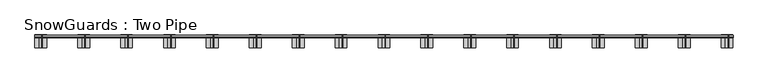
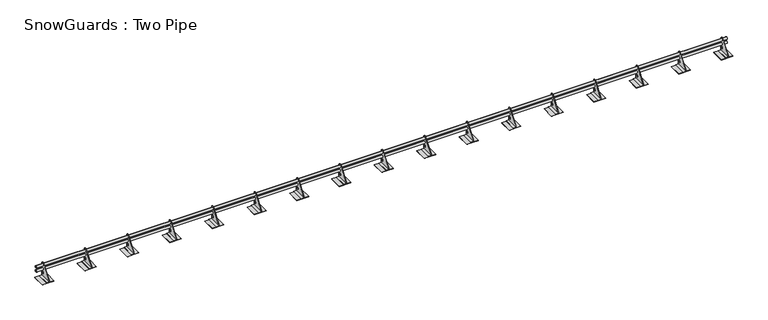
"""IFC4 building model written with IfcOpenShell, lengths in millimetres: proxy geometry, SnowGuards : Two Pipe."""

from ifc_helpers import new_model, si_unit, point, frame, frame_2d, origin, origin_with_axes, place, context, project, spatial, polyline, circle_curve, trimmed, segment, composite_curve, outline, extrude, source, transform, mapped, element, save


def snowguards_two_pipe_e586f420(model_context):
    return source(origin(), model_context, "Body", "SweptSolid", [
        extrude(outline(polyline([(8197.85, -132.5456311), (8058.15, -132.5456311), (8058.15, 19.8543689), (8197.85, 19.8543689), (8197.85, -132.5456311)])), origin_with_axes(), (0.0, 0.0, 1.0), 3.175),
        extrude(outline(polyline([(7689.85, -132.5456311), (7550.15, -132.5456311), (7550.15, 19.8543689), (7689.85, 19.8543689), (7689.85, -132.5456311)])), origin_with_axes(), (0.0, 0.0, 1.0), 3.175),
        extrude(outline(polyline([(7181.85, -132.5456311), (7042.15, -132.5456311), (7042.15, 19.8543689), (7181.85, 19.8543689), (7181.85, -132.5456311)])), origin_with_axes(), (0.0, 0.0, 1.0), 3.175),
        extrude(outline(polyline([(6673.85, -132.5456311), (6534.15, -132.5456311), (6534.15, 19.8543689), (6673.85, 19.8543689), (6673.85, -132.5456311)])), origin_with_axes(), (0.0, 0.0, 1.0), 3.175),
        extrude(outline(polyline([(6165.85, -132.5456311), (6026.15, -132.5456311), (6026.15, 19.8543689), (6165.85, 19.8543689), (6165.85, -132.5456311)])), origin_with_axes(), (0.0, 0.0, 1.0), 3.175),
        extrude(outline(polyline([(5657.85, -132.5456311), (5518.15, -132.5456311), (5518.15, 19.8543689), (5657.85, 19.8543689), (5657.85, -132.5456311)])), origin_with_axes(), (0.0, 0.0, 1.0), 3.175),
        extrude(outline(polyline([(5149.85, -132.5456311), (5010.15, -132.5456311), (5010.15, 19.8543689), (5149.85, 19.8543689), (5149.85, -132.5456311)])), origin_with_axes(), (0.0, 0.0, 1.0), 3.175),
        extrude(outline(polyline([(4641.85, -132.5456311), (4502.15, -132.5456311), (4502.15, 19.8543689), (4641.85, 19.8543689), (4641.85, -132.5456311)])), origin_with_axes(), (0.0, 0.0, 1.0), 3.175),
        extrude(outline(polyline([(4133.85, -132.5456311), (3994.15, -132.5456311), (3994.15, 19.8543689), (4133.85, 19.8543689), (4133.85, -132.5456311)])), origin_with_axes(), (0.0, 0.0, 1.0), 3.175),
        extrude(outline(polyline([(3625.85, -132.5456311), (3486.15, -132.5456311), (3486.15, 19.8543689), (3625.85, 19.8543689), (3625.85, -132.5456311)])), origin_with_axes(), (0.0, 0.0, 1.0), 3.175),
        extrude(outline(polyline([(3117.85, -132.5456311), (2978.15, -132.5456311), (2978.15, 19.8543689), (3117.85, 19.8543689), (3117.85, -132.5456311)])), origin_with_axes(), (0.0, 0.0, 1.0), 3.175),
        extrude(outline(polyline([(8109.74375, 19.8543689), (8146.25625, 19.8543689), (8146.25625, -132.5456311), (8109.74375, -132.5456311), (8109.74375, 19.8543689)])), frame((0.0, 0.0, 3.175), z_axis=(0.0, 0.0, 1.0), x_axis=(1.0, 0.0, 0.0)), (0.0, 0.0, 1.0), 4.7625),
        extrude(outline(composite_curve([segment(polyline([(19.8543689, 7.9375), (-132.5456311, 7.9375), (-132.5456311, 10.7607197), (-14.9927603, 168.4318909)]), True, "CONTINUOUS"), segment(trimmed(circle_curve(frame_2d((0.5131886, 156.8713197)), 19.3411803), [point((-14.9927603, 168.4318909))], [point((19.8543689, 156.8713197))], False, "CARTESIAN"), True, "CONTINUOUS"), segment(polyline([(19.8543689, 156.8713197), (19.8543689, 7.9375)]), True, "CONTINUOUS")], self_intersect=False), holes=[composite_curve([segment(trimmed(circle_curve(frame_2d((-0.2607676, 148.4337699)), 13.49375), [point((-0.2607676, 134.9400199))], [point((-0.2607676, 161.9275199))], True, "CARTESIAN"), True, "CONTINUOUS"), segment(trimmed(circle_curve(frame_2d((-0.2607676, 148.4337699)), 13.49375), [point((-0.2607676, 161.9275199))], [point((-0.2607676, 134.9400199))], True, "CARTESIAN"), True, "CONTINUOUS")], self_intersect=False), composite_curve([segment(trimmed(circle_curve(frame_2d((0.0, 46.9699953)), 13.49375), [point((0.0, 33.4762453))], [point((0.0, 60.4637453))], True, "CARTESIAN"), True, "CONTINUOUS"), segment(trimmed(circle_curve(frame_2d((0.0, 46.9699953)), 13.49375), [point((0.0, 60.4637453))], [point((0.0, 33.4762453))], True, "CARTESIAN"), True, "CONTINUOUS")], self_intersect=False)]), frame((8141.49375, 0.0, 0.0), z_axis=(1.0, 0.0, 0.0), x_axis=(0.0, 1.0, 0.0)), (0.0, 0.0, 1.0), 4.7625),
        extrude(outline(polyline([(7601.74375, 19.8543689), (7638.25625, 19.8543689), (7638.25625, -132.5456311), (7601.74375, -132.5456311), (7601.74375, 19.8543689)])), frame((0.0, 0.0, 3.175), z_axis=(0.0, 0.0, 1.0), x_axis=(1.0, 0.0, 0.0)), (0.0, 0.0, 1.0), 4.7625),
        extrude(outline(composite_curve([segment(polyline([(19.8543689, 7.9375), (-132.5456311, 7.9375), (-132.5456311, 10.7607197), (-14.9927603, 168.4318909)]), True, "CONTINUOUS"), segment(trimmed(circle_curve(frame_2d((0.5131886, 156.8713197)), 19.3411803), [point((-14.9927603, 168.4318909))], [point((19.8543689, 156.8713197))], False, "CARTESIAN"), True, "CONTINUOUS"), segment(polyline([(19.8543689, 156.8713197), (19.8543689, 7.9375)]), True, "CONTINUOUS")], self_intersect=False), holes=[composite_curve([segment(trimmed(circle_curve(frame_2d((-0.2607676, 148.4337699)), 13.49375), [point((-0.2607676, 134.9400199))], [point((-0.2607676, 161.9275199))], True, "CARTESIAN"), True, "CONTINUOUS"), segment(trimmed(circle_curve(frame_2d((-0.2607676, 148.4337699)), 13.49375), [point((-0.2607676, 161.9275199))], [point((-0.2607676, 134.9400199))], True, "CARTESIAN"), True, "CONTINUOUS")], self_intersect=False), composite_curve([segment(trimmed(circle_curve(frame_2d((0.0, 46.9699953)), 13.49375), [point((0.0, 33.4762453))], [point((0.0, 60.4637453))], True, "CARTESIAN"), True, "CONTINUOUS"), segment(trimmed(circle_curve(frame_2d((0.0, 46.9699953)), 13.49375), [point((0.0, 60.4637453))], [point((0.0, 33.4762453))], True, "CARTESIAN"), True, "CONTINUOUS")], self_intersect=False)]), frame((7633.49375, 0.0, 0.0), z_axis=(1.0, 0.0, 0.0), x_axis=(0.0, 1.0, 0.0)), (0.0, 0.0, 1.0), 4.7625),
        extrude(outline(polyline([(7093.74375, 19.8543689), (7130.25625, 19.8543689), (7130.25625, -132.5456311), (7093.74375, -132.5456311), (7093.74375, 19.8543689)])), frame((0.0, 0.0, 3.175), z_axis=(0.0, 0.0, 1.0), x_axis=(1.0, 0.0, 0.0)), (0.0, 0.0, 1.0), 4.7625),
        extrude(outline(composite_curve([segment(polyline([(19.8543689, 7.9375), (-132.5456311, 7.9375), (-132.5456311, 10.7607197), (-14.9927603, 168.4318909)]), True, "CONTINUOUS"), segment(trimmed(circle_curve(frame_2d((0.5131886, 156.8713197)), 19.3411803), [point((-14.9927603, 168.4318909))], [point((19.8543689, 156.8713197))], False, "CARTESIAN"), True, "CONTINUOUS"), segment(polyline([(19.8543689, 156.8713197), (19.8543689, 7.9375)]), True, "CONTINUOUS")], self_intersect=False), holes=[composite_curve([segment(trimmed(circle_curve(frame_2d((-0.2607676, 148.4337699)), 13.49375), [point((-0.2607676, 134.9400199))], [point((-0.2607676, 161.9275199))], True, "CARTESIAN"), True, "CONTINUOUS"), segment(trimmed(circle_curve(frame_2d((-0.2607676, 148.4337699)), 13.49375), [point((-0.2607676, 161.9275199))], [point((-0.2607676, 134.9400199))], True, "CARTESIAN"), True, "CONTINUOUS")], self_intersect=False), composite_curve([segment(trimmed(circle_curve(frame_2d((0.0, 46.9699953)), 13.49375), [point((0.0, 33.4762453))], [point((0.0, 60.4637453))], True, "CARTESIAN"), True, "CONTINUOUS"), segment(trimmed(circle_curve(frame_2d((0.0, 46.9699953)), 13.49375), [point((0.0, 60.4637453))], [point((0.0, 33.4762453))], True, "CARTESIAN"), True, "CONTINUOUS")], self_intersect=False)]), frame((7125.49375, 0.0, 0.0), z_axis=(1.0, 0.0, 0.0), x_axis=(0.0, 1.0, 0.0)), (0.0, 0.0, 1.0), 4.7625),
        extrude(outline(polyline([(6585.74375, 19.8543689), (6622.25625, 19.8543689), (6622.25625, -132.5456311), (6585.74375, -132.5456311), (6585.74375, 19.8543689)])), frame((0.0, 0.0, 3.175), z_axis=(0.0, 0.0, 1.0), x_axis=(1.0, 0.0, 0.0)), (0.0, 0.0, 1.0), 4.7625),
        extrude(outline(composite_curve([segment(polyline([(19.8543689, 7.9375), (-132.5456311, 7.9375), (-132.5456311, 10.7607197), (-14.9927603, 168.4318909)]), True, "CONTINUOUS"), segment(trimmed(circle_curve(frame_2d((0.5131886, 156.8713197)), 19.3411803), [point((-14.9927603, 168.4318909))], [point((19.8543689, 156.8713197))], False, "CARTESIAN"), True, "CONTINUOUS"), segment(polyline([(19.8543689, 156.8713197), (19.8543689, 7.9375)]), True, "CONTINUOUS")], self_intersect=False), holes=[composite_curve([segment(trimmed(circle_curve(frame_2d((-0.2607676, 148.4337699)), 13.49375), [point((-0.2607676, 134.9400199))], [point((-0.2607676, 161.9275199))], True, "CARTESIAN"), True, "CONTINUOUS"), segment(trimmed(circle_curve(frame_2d((-0.2607676, 148.4337699)), 13.49375), [point((-0.2607676, 161.9275199))], [point((-0.2607676, 134.9400199))], True, "CARTESIAN"), True, "CONTINUOUS")], self_intersect=False), composite_curve([segment(trimmed(circle_curve(frame_2d((0.0, 46.9699953)), 13.49375), [point((0.0, 33.4762453))], [point((0.0, 60.4637453))], True, "CARTESIAN"), True, "CONTINUOUS"), segment(trimmed(circle_curve(frame_2d((0.0, 46.9699953)), 13.49375), [point((0.0, 60.4637453))], [point((0.0, 33.4762453))], True, "CARTESIAN"), True, "CONTINUOUS")], self_intersect=False)]), frame((6617.49375, 0.0, 0.0), z_axis=(1.0, 0.0, 0.0), x_axis=(0.0, 1.0, 0.0)), (0.0, 0.0, 1.0), 4.7625),
        extrude(outline(polyline([(6077.74375, 19.8543689), (6114.25625, 19.8543689), (6114.25625, -132.5456311), (6077.74375, -132.5456311), (6077.74375, 19.8543689)])), frame((0.0, 0.0, 3.175), z_axis=(0.0, 0.0, 1.0), x_axis=(1.0, 0.0, 0.0)), (0.0, 0.0, 1.0), 4.7625),
        extrude(outline(composite_curve([segment(polyline([(19.8543689, 7.9375), (-132.5456311, 7.9375), (-132.5456311, 10.7607197), (-14.9927603, 168.4318909)]), True, "CONTINUOUS"), segment(trimmed(circle_curve(frame_2d((0.5131886, 156.8713197)), 19.3411803), [point((-14.9927603, 168.4318909))], [point((19.8543689, 156.8713197))], False, "CARTESIAN"), True, "CONTINUOUS"), segment(polyline([(19.8543689, 156.8713197), (19.8543689, 7.9375)]), True, "CONTINUOUS")], self_intersect=False), holes=[composite_curve([segment(trimmed(circle_curve(frame_2d((-0.2607676, 148.4337699)), 13.49375), [point((-0.2607676, 134.9400199))], [point((-0.2607676, 161.9275199))], True, "CARTESIAN"), True, "CONTINUOUS"), segment(trimmed(circle_curve(frame_2d((-0.2607676, 148.4337699)), 13.49375), [point((-0.2607676, 161.9275199))], [point((-0.2607676, 134.9400199))], True, "CARTESIAN"), True, "CONTINUOUS")], self_intersect=False), composite_curve([segment(trimmed(circle_curve(frame_2d((0.0, 46.9699953)), 13.49375), [point((0.0, 33.4762453))], [point((0.0, 60.4637453))], True, "CARTESIAN"), True, "CONTINUOUS"), segment(trimmed(circle_curve(frame_2d((0.0, 46.9699953)), 13.49375), [point((0.0, 60.4637453))], [point((0.0, 33.4762453))], True, "CARTESIAN"), True, "CONTINUOUS")], self_intersect=False)]), frame((6109.49375, 0.0, 0.0), z_axis=(1.0, 0.0, 0.0), x_axis=(0.0, 1.0, 0.0)), (0.0, 0.0, 1.0), 4.7625),
        extrude(outline(polyline([(5569.74375, 19.8543689), (5606.25625, 19.8543689), (5606.25625, -132.5456311), (5569.74375, -132.5456311), (5569.74375, 19.8543689)])), frame((0.0, 0.0, 3.175), z_axis=(0.0, 0.0, 1.0), x_axis=(1.0, 0.0, 0.0)), (0.0, 0.0, 1.0), 4.7625),
        extrude(outline(composite_curve([segment(polyline([(19.8543689, 7.9375), (-132.5456311, 7.9375), (-132.5456311, 10.7607197), (-14.9927603, 168.4318909)]), True, "CONTINUOUS"), segment(trimmed(circle_curve(frame_2d((0.5131886, 156.8713197)), 19.3411803), [point((-14.9927603, 168.4318909))], [point((19.8543689, 156.8713197))], False, "CARTESIAN"), True, "CONTINUOUS"), segment(polyline([(19.8543689, 156.8713197), (19.8543689, 7.9375)]), True, "CONTINUOUS")], self_intersect=False), holes=[composite_curve([segment(trimmed(circle_curve(frame_2d((-0.2607676, 148.4337699)), 13.49375), [point((-0.2607676, 134.9400199))], [point((-0.2607676, 161.9275199))], True, "CARTESIAN"), True, "CONTINUOUS"), segment(trimmed(circle_curve(frame_2d((-0.2607676, 148.4337699)), 13.49375), [point((-0.2607676, 161.9275199))], [point((-0.2607676, 134.9400199))], True, "CARTESIAN"), True, "CONTINUOUS")], self_intersect=False), composite_curve([segment(trimmed(circle_curve(frame_2d((0.0, 46.9699953)), 13.49375), [point((0.0, 33.4762453))], [point((0.0, 60.4637453))], True, "CARTESIAN"), True, "CONTINUOUS"), segment(trimmed(circle_curve(frame_2d((0.0, 46.9699953)), 13.49375), [point((0.0, 60.4637453))], [point((0.0, 33.4762453))], True, "CARTESIAN"), True, "CONTINUOUS")], self_intersect=False)]), frame((5601.49375, 0.0, 0.0), z_axis=(1.0, 0.0, 0.0), x_axis=(0.0, 1.0, 0.0)), (0.0, 0.0, 1.0), 4.7625),
        extrude(outline(polyline([(5061.74375, 19.8543689), (5098.25625, 19.8543689), (5098.25625, -132.5456311), (5061.74375, -132.5456311), (5061.74375, 19.8543689)])), frame((0.0, 0.0, 3.175), z_axis=(0.0, 0.0, 1.0), x_axis=(1.0, 0.0, 0.0)), (0.0, 0.0, 1.0), 4.7625),
        extrude(outline(composite_curve([segment(polyline([(19.8543689, 7.9375), (-132.5456311, 7.9375), (-132.5456311, 10.7607197), (-14.9927603, 168.4318909)]), True, "CONTINUOUS"), segment(trimmed(circle_curve(frame_2d((0.5131886, 156.8713197)), 19.3411803), [point((-14.9927603, 168.4318909))], [point((19.8543689, 156.8713197))], False, "CARTESIAN"), True, "CONTINUOUS"), segment(polyline([(19.8543689, 156.8713197), (19.8543689, 7.9375)]), True, "CONTINUOUS")], self_intersect=False), holes=[composite_curve([segment(trimmed(circle_curve(frame_2d((-0.2607676, 148.4337699)), 13.49375), [point((-0.2607676, 134.9400199))], [point((-0.2607676, 161.9275199))], True, "CARTESIAN"), True, "CONTINUOUS"), segment(trimmed(circle_curve(frame_2d((-0.2607676, 148.4337699)), 13.49375), [point((-0.2607676, 161.9275199))], [point((-0.2607676, 134.9400199))], True, "CARTESIAN"), True, "CONTINUOUS")], self_intersect=False), composite_curve([segment(trimmed(circle_curve(frame_2d((0.0, 46.9699953)), 13.49375), [point((0.0, 33.4762453))], [point((0.0, 60.4637453))], True, "CARTESIAN"), True, "CONTINUOUS"), segment(trimmed(circle_curve(frame_2d((0.0, 46.9699953)), 13.49375), [point((0.0, 60.4637453))], [point((0.0, 33.4762453))], True, "CARTESIAN"), True, "CONTINUOUS")], self_intersect=False)]), frame((5093.49375, 0.0, 0.0), z_axis=(1.0, 0.0, 0.0), x_axis=(0.0, 1.0, 0.0)), (0.0, 0.0, 1.0), 4.7625),
        extrude(outline(polyline([(4553.74375, 19.8543689), (4590.25625, 19.8543689), (4590.25625, -132.5456311), (4553.74375, -132.5456311), (4553.74375, 19.8543689)])), frame((0.0, 0.0, 3.175), z_axis=(0.0, 0.0, 1.0), x_axis=(1.0, 0.0, 0.0)), (0.0, 0.0, 1.0), 4.7625),
        extrude(outline(composite_curve([segment(polyline([(19.8543689, 7.9375), (-132.5456311, 7.9375), (-132.5456311, 10.7607197), (-14.9927603, 168.4318909)]), True, "CONTINUOUS"), segment(trimmed(circle_curve(frame_2d((0.5131886, 156.8713197)), 19.3411803), [point((-14.9927603, 168.4318909))], [point((19.8543689, 156.8713197))], False, "CARTESIAN"), True, "CONTINUOUS"), segment(polyline([(19.8543689, 156.8713197), (19.8543689, 7.9375)]), True, "CONTINUOUS")], self_intersect=False), holes=[composite_curve([segment(trimmed(circle_curve(frame_2d((-0.2607676, 148.4337699)), 13.49375), [point((-0.2607676, 134.9400199))], [point((-0.2607676, 161.9275199))], True, "CARTESIAN"), True, "CONTINUOUS"), segment(trimmed(circle_curve(frame_2d((-0.2607676, 148.4337699)), 13.49375), [point((-0.2607676, 161.9275199))], [point((-0.2607676, 134.9400199))], True, "CARTESIAN"), True, "CONTINUOUS")], self_intersect=False), composite_curve([segment(trimmed(circle_curve(frame_2d((0.0, 46.9699953)), 13.49375), [point((0.0, 33.4762453))], [point((0.0, 60.4637453))], True, "CARTESIAN"), True, "CONTINUOUS"), segment(trimmed(circle_curve(frame_2d((0.0, 46.9699953)), 13.49375), [point((0.0, 60.4637453))], [point((0.0, 33.4762453))], True, "CARTESIAN"), True, "CONTINUOUS")], self_intersect=False)]), frame((4585.49375, 0.0, 0.0), z_axis=(1.0, 0.0, 0.0), x_axis=(0.0, 1.0, 0.0)), (0.0, 0.0, 1.0), 4.7625),
        extrude(outline(polyline([(4045.74375, 19.8543689), (4082.25625, 19.8543689), (4082.25625, -132.5456311), (4045.74375, -132.5456311), (4045.74375, 19.8543689)])), frame((0.0, 0.0, 3.175), z_axis=(0.0, 0.0, 1.0), x_axis=(1.0, 0.0, 0.0)), (0.0, 0.0, 1.0), 4.7625),
        extrude(outline(composite_curve([segment(polyline([(19.8543689, 7.9375), (-132.5456311, 7.9375), (-132.5456311, 10.7607197), (-14.9927603, 168.4318909)]), True, "CONTINUOUS"), segment(trimmed(circle_curve(frame_2d((0.5131886, 156.8713197)), 19.3411803), [point((-14.9927603, 168.4318909))], [point((19.8543689, 156.8713197))], False, "CARTESIAN"), True, "CONTINUOUS"), segment(polyline([(19.8543689, 156.8713197), (19.8543689, 7.9375)]), True, "CONTINUOUS")], self_intersect=False), holes=[composite_curve([segment(trimmed(circle_curve(frame_2d((-0.2607676, 148.4337699)), 13.49375), [point((-0.2607676, 134.9400199))], [point((-0.2607676, 161.9275199))], True, "CARTESIAN"), True, "CONTINUOUS"), segment(trimmed(circle_curve(frame_2d((-0.2607676, 148.4337699)), 13.49375), [point((-0.2607676, 161.9275199))], [point((-0.2607676, 134.9400199))], True, "CARTESIAN"), True, "CONTINUOUS")], self_intersect=False), composite_curve([segment(trimmed(circle_curve(frame_2d((0.0, 46.9699953)), 13.49375), [point((0.0, 33.4762453))], [point((0.0, 60.4637453))], True, "CARTESIAN"), True, "CONTINUOUS"), segment(trimmed(circle_curve(frame_2d((0.0, 46.9699953)), 13.49375), [point((0.0, 60.4637453))], [point((0.0, 33.4762453))], True, "CARTESIAN"), True, "CONTINUOUS")], self_intersect=False)]), frame((4077.49375, 0.0, 0.0), z_axis=(1.0, 0.0, 0.0), x_axis=(0.0, 1.0, 0.0)), (0.0, 0.0, 1.0), 4.7625),
        extrude(outline(polyline([(3537.74375, 19.8543689), (3574.25625, 19.8543689), (3574.25625, -132.5456311), (3537.74375, -132.5456311), (3537.74375, 19.8543689)])), frame((0.0, 0.0, 3.175), z_axis=(0.0, 0.0, 1.0), x_axis=(1.0, 0.0, 0.0)), (0.0, 0.0, 1.0), 4.7625),
        extrude(outline(composite_curve([segment(polyline([(19.8543689, 7.9375), (-132.5456311, 7.9375), (-132.5456311, 10.7607197), (-14.9927603, 168.4318909)]), True, "CONTINUOUS"), segment(trimmed(circle_curve(frame_2d((0.5131886, 156.8713197)), 19.3411803), [point((-14.9927603, 168.4318909))], [point((19.8543689, 156.8713197))], False, "CARTESIAN"), True, "CONTINUOUS"), segment(polyline([(19.8543689, 156.8713197), (19.8543689, 7.9375)]), True, "CONTINUOUS")], self_intersect=False), holes=[composite_curve([segment(trimmed(circle_curve(frame_2d((-0.2607676, 148.4337699)), 13.49375), [point((-0.2607676, 134.9400199))], [point((-0.2607676, 161.9275199))], True, "CARTESIAN"), True, "CONTINUOUS"), segment(trimmed(circle_curve(frame_2d((-0.2607676, 148.4337699)), 13.49375), [point((-0.2607676, 161.9275199))], [point((-0.2607676, 134.9400199))], True, "CARTESIAN"), True, "CONTINUOUS")], self_intersect=False), composite_curve([segment(trimmed(circle_curve(frame_2d((0.0, 46.9699953)), 13.49375), [point((0.0, 33.4762453))], [point((0.0, 60.4637453))], True, "CARTESIAN"), True, "CONTINUOUS"), segment(trimmed(circle_curve(frame_2d((0.0, 46.9699953)), 13.49375), [point((0.0, 60.4637453))], [point((0.0, 33.4762453))], True, "CARTESIAN"), True, "CONTINUOUS")], self_intersect=False)]), frame((3569.49375, 0.0, 0.0), z_axis=(1.0, 0.0, 0.0), x_axis=(0.0, 1.0, 0.0)), (0.0, 0.0, 1.0), 4.7625),
        extrude(outline(polyline([(3029.74375, 19.8543689), (3066.25625, 19.8543689), (3066.25625, -132.5456311), (3029.74375, -132.5456311), (3029.74375, 19.8543689)])), frame((0.0, 0.0, 3.175), z_axis=(0.0, 0.0, 1.0), x_axis=(1.0, 0.0, 0.0)), (0.0, 0.0, 1.0), 4.7625),
        extrude(outline(composite_curve([segment(polyline([(19.8543689, 7.9375), (-132.5456311, 7.9375), (-132.5456311, 10.7607197), (-14.9927603, 168.4318909)]), True, "CONTINUOUS"), segment(trimmed(circle_curve(frame_2d((0.5131886, 156.8713197)), 19.3411803), [point((-14.9927603, 168.4318909))], [point((19.8543689, 156.8713197))], False, "CARTESIAN"), True, "CONTINUOUS"), segment(polyline([(19.8543689, 156.8713197), (19.8543689, 7.9375)]), True, "CONTINUOUS")], self_intersect=False), holes=[composite_curve([segment(trimmed(circle_curve(frame_2d((-0.2607676, 148.4337699)), 13.49375), [point((-0.2607676, 134.9400199))], [point((-0.2607676, 161.9275199))], True, "CARTESIAN"), True, "CONTINUOUS"), segment(trimmed(circle_curve(frame_2d((-0.2607676, 148.4337699)), 13.49375), [point((-0.2607676, 161.9275199))], [point((-0.2607676, 134.9400199))], True, "CARTESIAN"), True, "CONTINUOUS")], self_intersect=False), composite_curve([segment(trimmed(circle_curve(frame_2d((0.0, 46.9699953)), 13.49375), [point((0.0, 33.4762453))], [point((0.0, 60.4637453))], True, "CARTESIAN"), True, "CONTINUOUS"), segment(trimmed(circle_curve(frame_2d((0.0, 46.9699953)), 13.49375), [point((0.0, 60.4637453))], [point((0.0, 33.4762453))], True, "CARTESIAN"), True, "CONTINUOUS")], self_intersect=False)]), frame((3061.49375, 0.0, 0.0), z_axis=(1.0, 0.0, 0.0), x_axis=(0.0, 1.0, 0.0)), (0.0, 0.0, 1.0), 4.7625),
        extrude(outline(polyline([(2609.85, -132.5456311), (2470.15, -132.5456311), (2470.15, 19.8543689), (2609.85, 19.8543689), (2609.85, -132.5456311)])), origin_with_axes(), (0.0, 0.0, 1.0), 3.175),
        extrude(outline(polyline([(2101.85, -132.5456311), (1962.15, -132.5456311), (1962.15, 19.8543689), (2101.85, 19.8543689), (2101.85, -132.5456311)])), origin_with_axes(), (0.0, 0.0, 1.0), 3.175),
        extrude(outline(polyline([(2521.74375, 19.8543689), (2558.25625, 19.8543689), (2558.25625, -132.5456311), (2521.74375, -132.5456311), (2521.74375, 19.8543689)])), frame((0.0, 0.0, 3.175), z_axis=(0.0, 0.0, 1.0), x_axis=(1.0, 0.0, 0.0)), (0.0, 0.0, 1.0), 4.7625),
        extrude(outline(composite_curve([segment(polyline([(19.8543689, 7.9375), (-132.5456311, 7.9375), (-132.5456311, 10.7607197), (-14.9927603, 168.4318909)]), True, "CONTINUOUS"), segment(trimmed(circle_curve(frame_2d((0.5131886, 156.8713197)), 19.3411803), [point((-14.9927603, 168.4318909))], [point((19.8543689, 156.8713197))], False, "CARTESIAN"), True, "CONTINUOUS"), segment(polyline([(19.8543689, 156.8713197), (19.8543689, 7.9375)]), True, "CONTINUOUS")], self_intersect=False), holes=[composite_curve([segment(trimmed(circle_curve(frame_2d((-0.2607676, 148.4337699)), 13.49375), [point((-0.2607676, 134.9400199))], [point((-0.2607676, 161.9275199))], True, "CARTESIAN"), True, "CONTINUOUS"), segment(trimmed(circle_curve(frame_2d((-0.2607676, 148.4337699)), 13.49375), [point((-0.2607676, 161.9275199))], [point((-0.2607676, 134.9400199))], True, "CARTESIAN"), True, "CONTINUOUS")], self_intersect=False), composite_curve([segment(trimmed(circle_curve(frame_2d((0.0, 46.9699953)), 13.49375), [point((0.0, 33.4762453))], [point((0.0, 60.4637453))], True, "CARTESIAN"), True, "CONTINUOUS"), segment(trimmed(circle_curve(frame_2d((0.0, 46.9699953)), 13.49375), [point((0.0, 60.4637453))], [point((0.0, 33.4762453))], True, "CARTESIAN"), True, "CONTINUOUS")], self_intersect=False)]), frame((2553.49375, 0.0, 0.0), z_axis=(1.0, 0.0, 0.0), x_axis=(0.0, 1.0, 0.0)), (0.0, 0.0, 1.0), 4.7625),
        extrude(outline(polyline([(2013.74375, 19.8543689), (2050.25625, 19.8543689), (2050.25625, -132.5456311), (2013.74375, -132.5456311), (2013.74375, 19.8543689)])), frame((0.0, 0.0, 3.175), z_axis=(0.0, 0.0, 1.0), x_axis=(1.0, 0.0, 0.0)), (0.0, 0.0, 1.0), 4.7625),
        extrude(outline(composite_curve([segment(polyline([(19.8543689, 7.9375), (-132.5456311, 7.9375), (-132.5456311, 10.7607197), (-14.9927603, 168.4318909)]), True, "CONTINUOUS"), segment(trimmed(circle_curve(frame_2d((0.5131886, 156.8713197)), 19.3411803), [point((-14.9927603, 168.4318909))], [point((19.8543689, 156.8713197))], False, "CARTESIAN"), True, "CONTINUOUS"), segment(polyline([(19.8543689, 156.8713197), (19.8543689, 7.9375)]), True, "CONTINUOUS")], self_intersect=False), holes=[composite_curve([segment(trimmed(circle_curve(frame_2d((-0.2607676, 148.4337699)), 13.49375), [point((-0.2607676, 134.9400199))], [point((-0.2607676, 161.9275199))], True, "CARTESIAN"), True, "CONTINUOUS"), segment(trimmed(circle_curve(frame_2d((-0.2607676, 148.4337699)), 13.49375), [point((-0.2607676, 161.9275199))], [point((-0.2607676, 134.9400199))], True, "CARTESIAN"), True, "CONTINUOUS")], self_intersect=False), composite_curve([segment(trimmed(circle_curve(frame_2d((0.0, 46.9699953)), 13.49375), [point((0.0, 33.4762453))], [point((0.0, 60.4637453))], True, "CARTESIAN"), True, "CONTINUOUS"), segment(trimmed(circle_curve(frame_2d((0.0, 46.9699953)), 13.49375), [point((0.0, 60.4637453))], [point((0.0, 33.4762453))], True, "CARTESIAN"), True, "CONTINUOUS")], self_intersect=False)]), frame((2045.49375, 0.0, 0.0), z_axis=(1.0, 0.0, 0.0), x_axis=(0.0, 1.0, 0.0)), (0.0, 0.0, 1.0), 4.7625),
        extrude(outline(polyline([(1593.85, -132.5456311), (1454.15, -132.5456311), (1454.15, 19.8543689), (1593.85, 19.8543689), (1593.85, -132.5456311)])), origin_with_axes(), (0.0, 0.0, 1.0), 3.175),
        extrude(outline(polyline([(1505.74375, 19.8543689), (1542.25625, 19.8543689), (1542.25625, -132.5456311), (1505.74375, -132.5456311), (1505.74375, 19.8543689)])), frame((0.0, 0.0, 3.175), z_axis=(0.0, 0.0, 1.0), x_axis=(1.0, 0.0, 0.0)), (0.0, 0.0, 1.0), 4.7625),
        extrude(outline(composite_curve([segment(polyline([(19.8543689, 7.9375), (-132.5456311, 7.9375), (-132.5456311, 10.7607197), (-14.9927603, 168.4318909)]), True, "CONTINUOUS"), segment(trimmed(circle_curve(frame_2d((0.5131886, 156.8713197)), 19.3411803), [point((-14.9927603, 168.4318909))], [point((19.8543689, 156.8713197))], False, "CARTESIAN"), True, "CONTINUOUS"), segment(polyline([(19.8543689, 156.8713197), (19.8543689, 7.9375)]), True, "CONTINUOUS")], self_intersect=False), holes=[composite_curve([segment(trimmed(circle_curve(frame_2d((-0.2607676, 148.4337699)), 13.49375), [point((-0.2607676, 134.9400199))], [point((-0.2607676, 161.9275199))], True, "CARTESIAN"), True, "CONTINUOUS"), segment(trimmed(circle_curve(frame_2d((-0.2607676, 148.4337699)), 13.49375), [point((-0.2607676, 161.9275199))], [point((-0.2607676, 134.9400199))], True, "CARTESIAN"), True, "CONTINUOUS")], self_intersect=False), composite_curve([segment(trimmed(circle_curve(frame_2d((0.0, 46.9699953)), 13.49375), [point((0.0, 33.4762453))], [point((0.0, 60.4637453))], True, "CARTESIAN"), True, "CONTINUOUS"), segment(trimmed(circle_curve(frame_2d((0.0, 46.9699953)), 13.49375), [point((0.0, 60.4637453))], [point((0.0, 33.4762453))], True, "CARTESIAN"), True, "CONTINUOUS")], self_intersect=False)]), frame((1537.49375, 0.0, 0.0), z_axis=(1.0, 0.0, 0.0), x_axis=(0.0, 1.0, 0.0)), (0.0, 0.0, 1.0), 4.7625),
        extrude(outline(polyline([(489.74375, 19.8543689), (526.25625, 19.8543689), (526.25625, -132.5456311), (489.74375, -132.5456311), (489.74375, 19.8543689)])), frame((0.0, 0.0, 3.175), z_axis=(0.0, 0.0, 1.0), x_axis=(1.0, 0.0, 0.0)), (0.0, 0.0, 1.0), 4.7625),
        extrude(outline(composite_curve([segment(polyline([(19.8543689, 7.9375), (-132.5456311, 7.9375), (-132.5456311, 10.7607197), (-14.9927603, 168.4318909)]), True, "CONTINUOUS"), segment(trimmed(circle_curve(frame_2d((0.5131886, 156.8713197)), 19.3411803), [point((-14.9927603, 168.4318909))], [point((19.8543689, 156.8713197))], False, "CARTESIAN"), True, "CONTINUOUS"), segment(polyline([(19.8543689, 156.8713197), (19.8543689, 7.9375)]), True, "CONTINUOUS")], self_intersect=False), holes=[composite_curve([segment(trimmed(circle_curve(frame_2d((-0.2607676, 148.4337699)), 13.49375), [point((-0.2607676, 134.9400199))], [point((-0.2607676, 161.9275199))], True, "CARTESIAN"), True, "CONTINUOUS"), segment(trimmed(circle_curve(frame_2d((-0.2607676, 148.4337699)), 13.49375), [point((-0.2607676, 161.9275199))], [point((-0.2607676, 134.9400199))], True, "CARTESIAN"), True, "CONTINUOUS")], self_intersect=False), composite_curve([segment(trimmed(circle_curve(frame_2d((0.0, 46.9699953)), 13.49375), [point((0.0, 33.4762453))], [point((0.0, 60.4637453))], True, "CARTESIAN"), True, "CONTINUOUS"), segment(trimmed(circle_curve(frame_2d((0.0, 46.9699953)), 13.49375), [point((0.0, 60.4637453))], [point((0.0, 33.4762453))], True, "CARTESIAN"), True, "CONTINUOUS")], self_intersect=False)]), frame((521.49375, 0.0, 0.0), z_axis=(1.0, 0.0, 0.0), x_axis=(0.0, 1.0, 0.0)), (0.0, 0.0, 1.0), 4.7625),
        extrude(outline(polyline([(577.85, -132.5456311), (438.15, -132.5456311), (438.15, 19.8543689), (577.85, 19.8543689), (577.85, -132.5456311)])), origin_with_axes(), (0.0, 0.0, 1.0), 3.175),
        extrude(outline(polyline([(1085.85, -132.5456311), (946.15, -132.5456311), (946.15, 19.8543689), (1085.85, 19.8543689), (1085.85, -132.5456311)])), origin_with_axes(), (0.0, 0.0, 1.0), 3.175),
        extrude(outline(polyline([(577.85, -132.5456311), (438.15, -132.5456311), (438.15, 19.8543689), (577.85, 19.8543689), (577.85, -132.5456311)])), origin_with_axes(), (0.0, 0.0, 1.0), 3.175),
        extrude(outline(polyline([(997.74375, 19.8543689), (1034.25625, 19.8543689), (1034.25625, -132.5456311), (997.74375, -132.5456311), (997.74375, 19.8543689)])), frame((0.0, 0.0, 3.175), z_axis=(0.0, 0.0, 1.0), x_axis=(1.0, 0.0, 0.0)), (0.0, 0.0, 1.0), 4.7625),
        extrude(outline(composite_curve([segment(polyline([(19.8543689, 7.9375), (-132.5456311, 7.9375), (-132.5456311, 10.7607197), (-14.9927603, 168.4318909)]), True, "CONTINUOUS"), segment(trimmed(circle_curve(frame_2d((0.5131886, 156.8713197)), 19.3411803), [point((-14.9927603, 168.4318909))], [point((19.8543689, 156.8713197))], False, "CARTESIAN"), True, "CONTINUOUS"), segment(polyline([(19.8543689, 156.8713197), (19.8543689, 7.9375)]), True, "CONTINUOUS")], self_intersect=False), holes=[composite_curve([segment(trimmed(circle_curve(frame_2d((-0.2607676, 148.4337699)), 13.49375), [point((-0.2607676, 134.9400199))], [point((-0.2607676, 161.9275199))], True, "CARTESIAN"), True, "CONTINUOUS"), segment(trimmed(circle_curve(frame_2d((-0.2607676, 148.4337699)), 13.49375), [point((-0.2607676, 161.9275199))], [point((-0.2607676, 134.9400199))], True, "CARTESIAN"), True, "CONTINUOUS")], self_intersect=False), composite_curve([segment(trimmed(circle_curve(frame_2d((0.0, 46.9699953)), 13.49375), [point((0.0, 33.4762453))], [point((0.0, 60.4637453))], True, "CARTESIAN"), True, "CONTINUOUS"), segment(trimmed(circle_curve(frame_2d((0.0, 46.9699953)), 13.49375), [point((0.0, 60.4637453))], [point((0.0, 33.4762453))], True, "CARTESIAN"), True, "CONTINUOUS")], self_intersect=False)]), frame((1029.49375, 0.0, 0.0), z_axis=(1.0, 0.0, 0.0), x_axis=(0.0, 1.0, 0.0)), (0.0, 0.0, 1.0), 4.7625),
        extrude(outline(polyline([(489.74375, 19.8543689), (526.25625, 19.8543689), (526.25625, -132.5456311), (489.74375, -132.5456311), (489.74375, 19.8543689)])), frame((0.0, 0.0, 3.175), z_axis=(0.0, 0.0, 1.0), x_axis=(1.0, 0.0, 0.0)), (0.0, 0.0, 1.0), 4.7625),
        extrude(outline(composite_curve([segment(polyline([(19.8543689, 7.9375), (-132.5456311, 7.9375), (-132.5456311, 10.7607197), (-14.9927603, 168.4318909)]), True, "CONTINUOUS"), segment(trimmed(circle_curve(frame_2d((0.5131886, 156.8713197)), 19.3411803), [point((-14.9927603, 168.4318909))], [point((19.8543689, 156.8713197))], False, "CARTESIAN"), True, "CONTINUOUS"), segment(polyline([(19.8543689, 156.8713197), (19.8543689, 7.9375)]), True, "CONTINUOUS")], self_intersect=False), holes=[composite_curve([segment(trimmed(circle_curve(frame_2d((-0.2607676, 148.4337699)), 13.49375), [point((-0.2607676, 134.9400199))], [point((-0.2607676, 161.9275199))], True, "CARTESIAN"), True, "CONTINUOUS"), segment(trimmed(circle_curve(frame_2d((-0.2607676, 148.4337699)), 13.49375), [point((-0.2607676, 161.9275199))], [point((-0.2607676, 134.9400199))], True, "CARTESIAN"), True, "CONTINUOUS")], self_intersect=False), composite_curve([segment(trimmed(circle_curve(frame_2d((0.0, 46.9699953)), 13.49375), [point((0.0, 33.4762453))], [point((0.0, 60.4637453))], True, "CARTESIAN"), True, "CONTINUOUS"), segment(trimmed(circle_curve(frame_2d((0.0, 46.9699953)), 13.49375), [point((0.0, 60.4637453))], [point((0.0, 33.4762453))], True, "CARTESIAN"), True, "CONTINUOUS")], self_intersect=False)]), frame((521.49375, 0.0, 0.0), z_axis=(1.0, 0.0, 0.0), x_axis=(0.0, 1.0, 0.0)), (0.0, 0.0, 1.0), 4.7625),
        extrude(outline(polyline([(69.85, -132.5456311), (-69.85, -132.5456311), (-69.85, 19.8543689), (69.85, 19.8543689), (69.85, -132.5456311)])), origin_with_axes(), (0.0, 0.0, 1.0), 3.175),
        extrude(outline(polyline([(-18.25625, 19.8543689), (18.25625, 19.8543689), (18.25625, -132.5456311), (-18.25625, -132.5456311), (-18.25625, 19.8543689)])), frame((0.0, 0.0, 3.175), z_axis=(0.0, 0.0, 1.0), x_axis=(1.0, 0.0, 0.0)), (0.0, 0.0, 1.0), 4.7625),
        extrude(outline(composite_curve([segment(polyline([(19.8543689, 7.9375), (-132.5456311, 7.9375), (-132.5456311, 10.7607197), (-14.9927603, 168.4318909)]), True, "CONTINUOUS"), segment(trimmed(circle_curve(frame_2d((0.5131886, 156.8713197)), 19.3411803), [point((-14.9927603, 168.4318909))], [point((19.8543689, 156.8713197))], False, "CARTESIAN"), True, "CONTINUOUS"), segment(polyline([(19.8543689, 156.8713197), (19.8543689, 7.9375)]), True, "CONTINUOUS")], self_intersect=False), holes=[composite_curve([segment(trimmed(circle_curve(frame_2d((-0.2607676, 148.4337699)), 13.49375), [point((-0.2607676, 134.9400199))], [point((-0.2607676, 161.9275199))], True, "CARTESIAN"), True, "CONTINUOUS"), segment(trimmed(circle_curve(frame_2d((-0.2607676, 148.4337699)), 13.49375), [point((-0.2607676, 161.9275199))], [point((-0.2607676, 134.9400199))], True, "CARTESIAN"), True, "CONTINUOUS")], self_intersect=False), composite_curve([segment(trimmed(circle_curve(frame_2d((0.0, 46.9699953)), 13.49375), [point((0.0, 33.4762453))], [point((0.0, 60.4637453))], True, "CARTESIAN"), True, "CONTINUOUS"), segment(trimmed(circle_curve(frame_2d((0.0, 46.9699953)), 13.49375), [point((0.0, 60.4637453))], [point((0.0, 33.4762453))], True, "CARTESIAN"), True, "CONTINUOUS")], self_intersect=False)]), frame((13.49375, 0.0, 0.0), z_axis=(1.0, 0.0, 0.0), x_axis=(0.0, 1.0, 0.0)), (0.0, 0.0, 1.0), 4.7625),
        extrude(outline(composite_curve([segment(trimmed(circle_curve(frame_2d((0.0, 148.43125)), 13.49375), [point((0.0, 134.9375))], [point((0.0, 161.925))], False, "CARTESIAN"), True, "CONTINUOUS"), segment(trimmed(circle_curve(frame_2d((0.0, 148.43125)), 13.49375), [point((0.0, 161.925))], [point((0.0, 134.9375))], False, "CARTESIAN"), True, "CONTINUOUS")], self_intersect=False)), frame((-69.85, 0.0, 0.0), z_axis=(1.0, 0.0, 0.0), x_axis=(0.0, 1.0, 0.0)), (0.0, 0.0, 1.0), 8269.85),
        extrude(outline(composite_curve([segment(trimmed(circle_curve(frame_2d((0.0, 97.63125)), 13.49375), [point((0.0, 84.1375))], [point((0.0, 111.125))], False, "CARTESIAN"), True, "CONTINUOUS"), segment(trimmed(circle_curve(frame_2d((0.0, 97.63125)), 13.49375), [point((0.0, 111.125))], [point((0.0, 84.1375))], False, "CARTESIAN"), True, "CONTINUOUS")], self_intersect=False)), frame((-69.85, 0.0, 0.0), z_axis=(1.0, 0.0, 0.0), x_axis=(0.0, 1.0, 0.0)), (0.0, 0.0, 1.0), 8269.85),
    ])


if __name__ == "__main__":
    model = new_model("IFC4")
    model_context = context("Model", 3, world=origin())
    ifc_project = project(units=[si_unit("LENGTHUNIT", "METRE", prefix="MILLI")], contexts=[model_context])
    site = spatial("IfcSite", under=ifc_project)
    building = spatial("IfcBuilding", under=site)
    placement = place(None, origin())
    snowguards_two_pipe_shape = snowguards_two_pipe_e586f420(model_context)
    element("IfcBuildingElementProxy", 1, Name="SnowGuards : Two Pipe", ObjectType="SnowGuards : Two Pipe", at=placement, inside=building, context=model_context, shape_type="MappedRepresentation", body=[
        mapped(snowguards_two_pipe_shape, transform((0.0, 0.0, 0.0), x_axis=(1.0, 0.0, 0.0), y_axis=(0.0, 1.0, 0.0), z_axis=(0.0, 0.0, 1.0))),
    ])
    save(model, "model.ifc")
